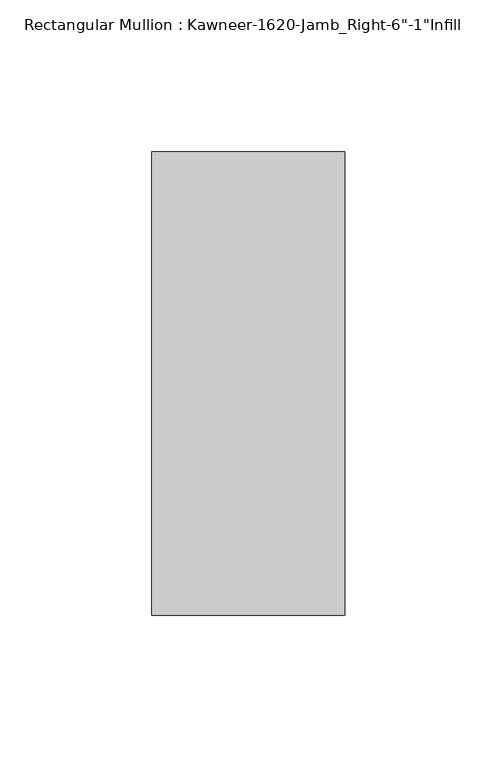
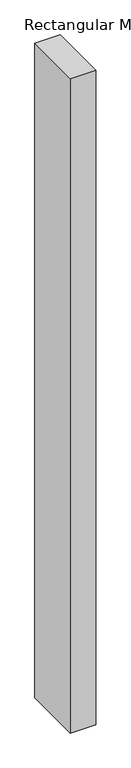
"""IFC4 building model written with IfcOpenShell, lengths in millimetres: member geometry."""

from ifc_helpers import new_model, si_unit, frame, origin, place, context, project, spatial, polyline, outline, extrude, source, transform, mapped, element, save


def member_1dcf69ad(model_context):
    return source(origin(), model_context, "Body", "SweptSolid", [
        extrude(outline(polyline([(-22.225, 38.1), (41.275, 38.1), (41.275, -114.3), (-22.225, -114.3), (-22.225, 38.1)])), frame((0.0, 0.0, -1720.85), z_axis=(0.0, 0.0, 1.0), x_axis=(1.0, 0.0, 0.0)), (0.0, 0.0, 1.0), 1720.85),
    ])


if __name__ == "__main__":
    model = new_model("IFC4")
    model_context = context("Model", 3, world=origin())
    ifc_project = project(units=[si_unit("LENGTHUNIT", "METRE", prefix="MILLI")], contexts=[model_context])
    site = spatial("IfcSite", under=ifc_project)
    building = spatial("IfcBuilding", under=site)
    placement = place(None, origin())
    member_shape = member_1dcf69ad(model_context)
    element("IfcMember", 1, ObjectType="Rectangular Mullion : Kawneer-1620-Jamb_Right-6\"-1\"Infill", at=placement, inside=building, context=model_context, shape_type="MappedRepresentation", body=[
        mapped(member_shape, transform((0.0, 0.0, 0.0), x_axis=(1.0, 0.0, 0.0), y_axis=(0.0, 1.0, 0.0), z_axis=(0.0, 0.0, 1.0))),
    ])
    save(model, "model.ifc")
